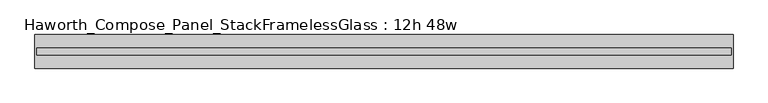
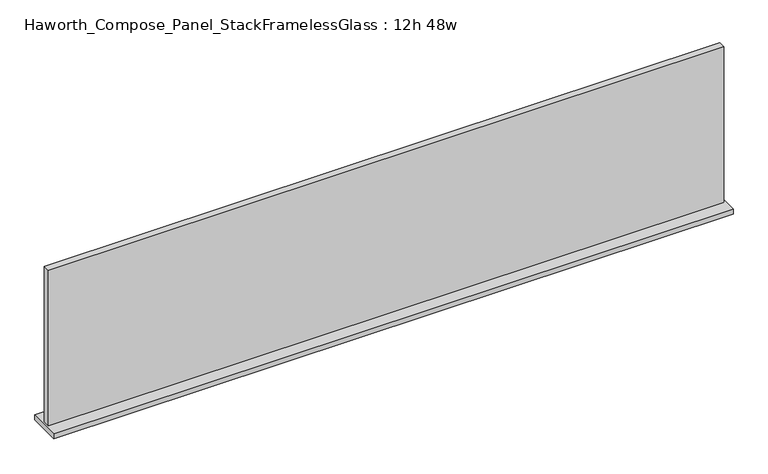
"""IFC4 building model written with IfcOpenShell, lengths in millimetres: furniture geometry, Haworth_Compose_Panel_StackFramelessGlass : 12h 48w."""

from ifc_helpers import new_model, si_unit, frame, origin, place, context, project, spatial, polyline, outline, extrude, source, transform, mapped, element, save


def haworth_compose_panel_stackframelessglass_12h_48w_5ea9cf0f(model_context):
    return source(origin(), model_context, "Body", "SweptSolid", [
        extrude(outline(polyline([(608.8652902, -27.3093594), (-603.9847098, -27.3093594), (-603.9847098, -14.6093594), (608.8652902, -14.6093594), (608.8652902, -27.3093594)])), frame((0.0, 0.0, 1279.525), z_axis=(0.0, 0.0, 1.0), x_axis=(1.0, 0.0, 0.0)), (0.0, 0.0, 1.0), 295.275),
        extrude(outline(polyline([(-607.1597098, -50.3281094), (-607.1597098, 8.4093906), (612.0402902, 8.4093906), (612.0402902, -50.3281094), (-607.1597098, -50.3281094)])), frame((0.0, 0.0, 1270.0), z_axis=(0.0, 0.0, 1.0), x_axis=(1.0, 0.0, 0.0)), (0.0, 0.0, 1.0), 9.525),
    ])


if __name__ == "__main__":
    model = new_model("IFC4")
    model_context = context("Model", 3, world=origin())
    ifc_project = project(units=[si_unit("LENGTHUNIT", "METRE", prefix="MILLI")], contexts=[model_context])
    site = spatial("IfcSite", under=ifc_project)
    building = spatial("IfcBuilding", under=site)
    placement = place(None, origin())
    haworth_compose_panel_stackframelessglass_12h_48w_shape = haworth_compose_panel_stackframelessglass_12h_48w_5ea9cf0f(model_context)
    element("IfcFurniture", 1, ObjectType="Haworth_Compose_Panel_StackFramelessGlass : 12h 48w", at=placement, inside=building, context=model_context, shape_type="MappedRepresentation", body=[
        mapped(haworth_compose_panel_stackframelessglass_12h_48w_shape, transform((0.0, 0.0, 0.0), x_axis=(1.0, 0.0, 0.0), y_axis=(0.0, 1.0, 0.0), z_axis=(0.0, 0.0, 1.0))),
    ])
    save(model, "model.ifc")
